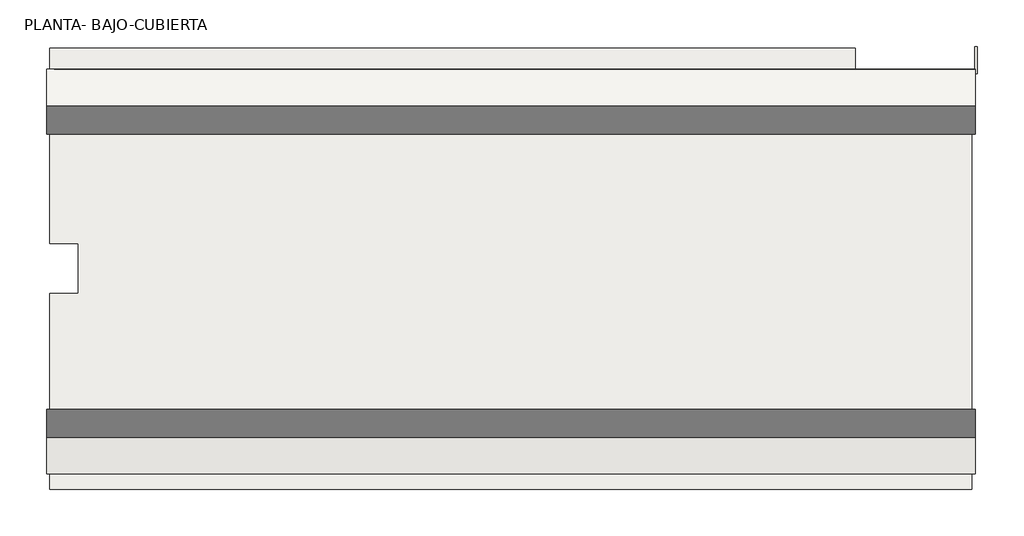
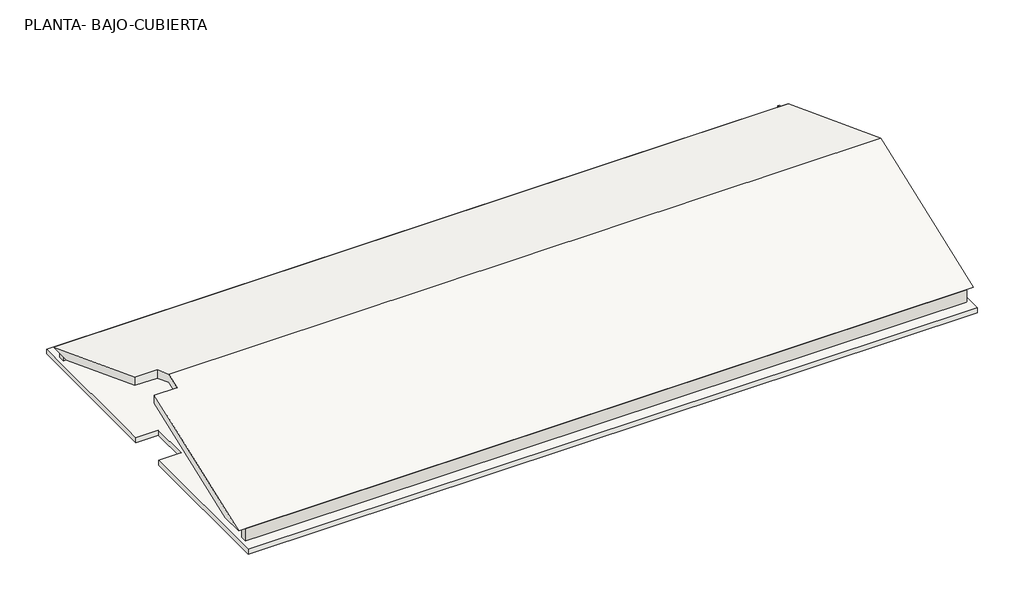
# One storey: 3 walls, 1 roof, 1 slab.
"""IFC4 building model written with IfcOpenShell, lengths in millimetres."""

from ifc_helpers import new_model, si_unit, frame, origin, place, context, project, spatial, polyline, outline, extrude, faceted_brep, element, save

model = new_model("IFC4")

# Units and contexts
model_context = context("Model", 3, world=origin())
ifc_project = project(units=[si_unit("LENGTHUNIT", "METRE", prefix="MILLI")], contexts=[model_context])

# Site, building, storey
site = spatial("IfcSite", under=ifc_project)
building = spatial("IfcBuilding", under=site)
storey = spatial("IfcBuildingStorey", under=building, Name="PLANTA- BAJO-CUBIERTA", Elevation=7350.0)

# Roof
placement = place(None, origin())
element("IfcRoof", 1, ObjectType="Teja sobre forjado - 40 cm", at=placement, inside=storey, context=model_context, shape_type="Brep", body=[
    faceted_brep([(-20816.9563501, 8939.0346716, 8012.0), (15846.9202315, 8939.0346716, 8012.0), (15846.9202315, 2077.3124799, 10605.7309885), (-19686.9563501, 2077.3124799, 10605.7309885), (-19686.9563501, 3057.3124799, 10235.2909885), (-20816.9563501, 3057.3124799, 10235.2909885), (15846.9202315, -4784.4097118, 8012.0), (-20816.9563501, -4784.4097118, 8012.0), (-20816.9563501, 1359.3124799, 10334.3269885), (-19686.9563501, 1359.3124799, 10334.3269885), (15846.9202315, 10070.3124799, 8012.0), (-20816.9563501, 10070.3124799, 8012.0), (-20816.9563501, 3057.3124799, 10662.914), (-19686.9563501, 3057.3124799, 10662.914), (-19686.9563501, 2077.3124799, 11033.354), (15846.9202315, 2077.3124799, 11033.354), (15846.9202315, -5915.6875201, 8012.0), (-19686.9563501, 1359.3124799, 10761.95), (-20816.9563501, 1359.3124799, 10761.95), (-20816.9563501, -5915.6875201, 8012.0)], [[[0, 1, 2, 3, 4, 5]], [[2, 6, 7, 8, 9, 3]], [[10, 11, 12, 13, 14, 15]], [[16, 15, 14, 17, 18, 19]], [[11, 10, 1, 0]], [[16, 19, 7, 6]], [[10, 15, 16, 6, 2, 1]], [[12, 11, 0, 5]], [[13, 12, 5, 4]], [[17, 14, 13, 4, 3, 9]], [[19, 18, 8, 7]], [[18, 17, 9, 8]]]),
])

# Slab
element("IfcSlab", 2, ObjectType="fix_25 cm", at=placement, inside=storey, context=model_context, shape_type="SweptSolid", body=[
    extrude(outline(polyline([(11116.9202315, 9707.3124799), (15716.9202315, 9707.3124799), (15716.9202315, -6520.9410781), (-20686.9563501, -6520.9410781), (-20686.9563501, 1224.0589219), (-19556.9563501, 1224.0589219), (-19556.9563501, 3189.0589219), (-20686.9563501, 3189.0589219), (-20686.9563501, 10907.3124799), (11116.9202315, 10907.3124799), (11116.9202315, 9707.3124799)])), frame((0.0, 0.0, 7100.0), z_axis=(0.0, 0.0, 1.0), x_axis=(1.0, 0.0, 0.0)), (0.0, 0.0, 1.0), 250.0),
])

# Walls
element("IfcWall", 3, ObjectType="Por defecto - 30 cm", at=placement, inside=storey, context=model_context, shape_type="SweptSolid", body=[
    extrude(outline(polyline([(15843.0436499, 9770.3124799), (-20516.9563501, 9770.3124799), (-20516.9563501, 10070.3124799), (15843.0436499, 10070.3124799), (15843.0436499, 9770.3124799)])), frame((0.0, 0.0, 7350.0), z_axis=(0.0, 0.0, 1.0), x_axis=(1.0, 0.0, 0.0)), (0.0, 0.0, 1.0), 662.0),
])
element("IfcWall", 4, ObjectType="Por defecto - 30 cm", at=placement, inside=storey, context=model_context, shape_type="SweptSolid", body=[
    extrude(outline(polyline([(15543.0436499, -5915.6875201), (-20486.9563501, -5915.6875201), (-20486.9563501, -5615.6875201), (15543.0436499, -5615.6875201), (15543.0436499, -5915.6875201)])), frame((0.0, 0.0, 7350.0), z_axis=(0.0, 0.0, 1.0), x_axis=(1.0, 0.0, 0.0)), (0.0, 0.0, 1.0), 662.0),
])
element("IfcWall", 5, ObjectType="SATE 2-Azul", at=placement, inside=storey, context=model_context, shape_type="SweptSolid", body=[
    extrude(outline(polyline([(15943.0436499, 10976.5203731), (15943.0436499, 9907.3124799), (15843.0436499, 9907.3124799), (15843.0436499, 10976.5203731), (15943.0436499, 10976.5203731)])), frame((0.0, 0.0, 6578.3220833), z_axis=(0.0, 0.0, 1.0), x_axis=(1.0, 0.0, 0.0)), (0.0, 0.0, 1.0), 771.6779167),
])

save(model, "model.ifc")
